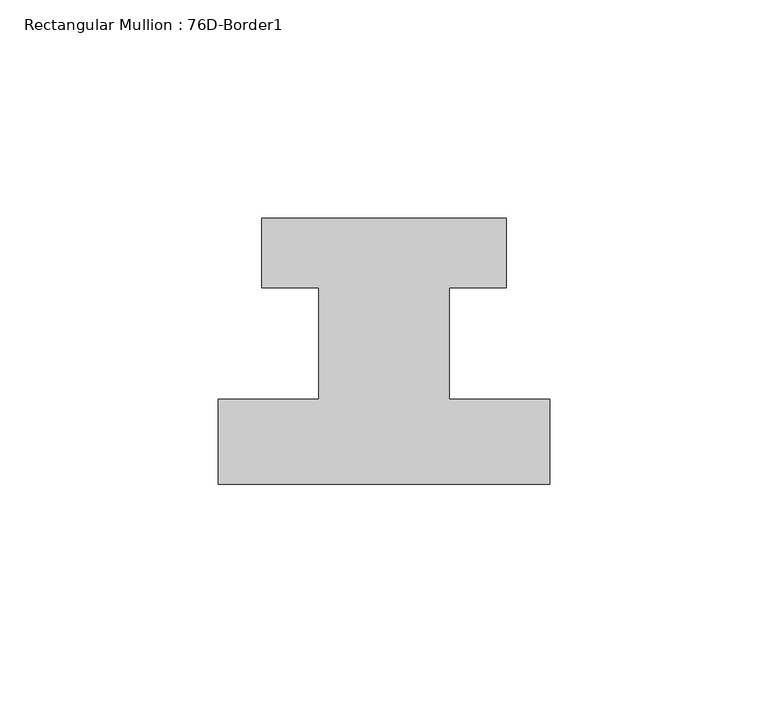
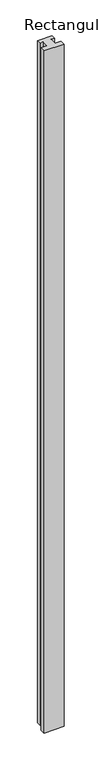
"""IFC4 building model written with IfcOpenShell, lengths in millimetres: member geometry, Rectangular Mullion : 76D-Border1."""

from ifc_helpers import new_model, si_unit, frame, origin, place, context, project, spatial, polyline, outline, extrude, source, transform, mapped, element, save


def rectangular_mullion_76d_border1_9de86fa9(model_context):
    return source(origin(), model_context, "Body", "SweptSolid", [
        extrude(outline(polyline([(-76.0, -20.0), (-76.0, -0.5), (-53.0, -0.5), (-53.0, 25.0), (-66.0, 25.0), (-66.0, 41.0), (-10.0, 41.0), (-10.0, 25.0), (-23.0, 25.0), (-23.0, -0.5), (0.0, -0.5), (0.0, -20.0), (-76.0, -20.0)])), frame((0.0, 0.0, -2724.0), z_axis=(0.0, 0.0, 1.0), x_axis=(1.0, 0.0, 0.0)), (0.0, 0.0, 1.0), 2724.0),
    ])


if __name__ == "__main__":
    model = new_model("IFC4")
    model_context = context("Model", 3, world=origin())
    ifc_project = project(units=[si_unit("LENGTHUNIT", "METRE", prefix="MILLI")], contexts=[model_context])
    site = spatial("IfcSite", under=ifc_project)
    building = spatial("IfcBuilding", under=site)
    placement = place(None, origin())
    rectangular_mullion_76d_border1_shape = rectangular_mullion_76d_border1_9de86fa9(model_context)
    element("IfcMember", 1, ObjectType="Rectangular Mullion : 76D-Border1", at=placement, inside=building, context=model_context, shape_type="MappedRepresentation", body=[
        mapped(rectangular_mullion_76d_border1_shape, transform((0.0, 0.0, 0.0), x_axis=(1.0, 0.0, 0.0), y_axis=(0.0, 1.0, 0.0), z_axis=(0.0, 0.0, 1.0))),
    ])
    save(model, "model.ifc")
